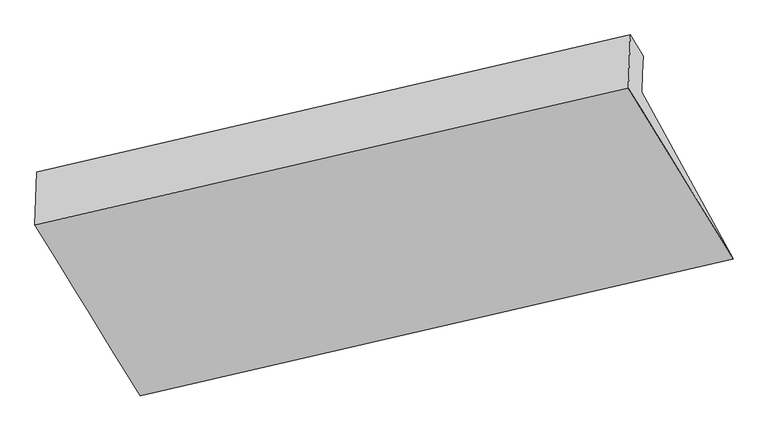
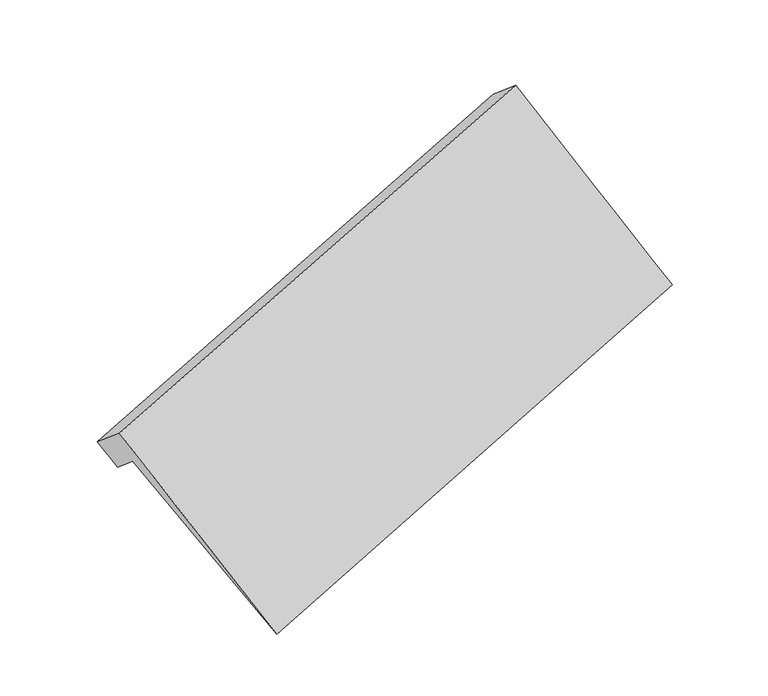
"""IFC4 building model written with IfcOpenShell, lengths in millimetres: proxy geometry."""

from ifc_helpers import new_model, si_unit, frame, origin, place, context, project, spatial, source, transform, mapped, element, save
from ifc_brep_helpers import plane_surface, spline_surface, advanced_brep


def generic_models_933ece02(model_context):
    return source(origin(), model_context, "Body", "AdvancedBrep", [
        advanced_brep(
        [(-5166.6078412, -1826.7731486, 1331.6414527), (-5161.6144103, -1691.375346, 1217.3861603), (-711.1056781, -653.2011507, 2629.0477038), (-716.1124011, -788.9593734, 2743.6071362), (-5171.601272, -1962.1709512, 1445.896745), (-721.1191242, -924.7175961, 2858.1665686), (-4485.2373127, -3208.012695, 179.1058416), (-35.0738035, -2176.6593854, 1596.8196929), (-5276.0012985, -1921.9325353, 1747.1123785), (-820.6331424, -896.5328767, 3152.6801151), (-5261.3267262, -1524.0287888, 1411.3417235), (-805.798152, -494.279363, 2813.2389137)],
        [
            (0, 1),
            (1, 2),
            (2, 3),
            (3, 0),
            (4, 0),
            (3, 5),
            (5, 4),
            (6, 4),
            (5, 7),
            (7, 6),
            (8, 6),
            (7, 9),
            (9, 8),
            (10, 8),
            (9, 11),
            (11, 10),
            (1, 10),
            (11, 2),
        ],
        [
            plane_surface(frame((-5164.1111257, -1759.0742473, 1274.5138065), z_axis=(0.3653963653085744, -0.6081547453787232, -0.7047221451697281), x_axis=(0.028174280145893894, 0.7639508246003959, -0.6446590940416771))),
            plane_surface(frame((-5169.1045566, -1894.4720499, 1388.7690988), z_axis=(0.3653963653085741, -0.608154745378726, -0.7047221451697258), x_axis=(0.028174280145894022, 0.7639508246003933, -0.6446590940416801))),
            spline_surface(1, 1, [[(-4485.2373127, -3208.012695, 179.1058416), (-35.0738035, -2176.6593854, 1596.8196929)], [(-5171.601272, -1962.1709512, 1445.896745), (-721.1191242, -924.7175961, 2858.1665686)]], [2, 2], [2, 2], [0.0, 1.0], [0.0, 1.0]),
            spline_surface(1, 1, [[(-5276.0012985, -1921.9325353, 1747.1123785), (-820.6331424, -896.5328767, 3152.6801151)], [(-4485.2373127, -3208.012695, 179.1058416), (-35.0738035, -2176.6593854, 1596.8196929)]], [2, 2], [2, 2], [0.0, 1.0], [0.0, 1.0]),
            plane_surface(frame((-5268.6640123, -1722.980662, 1579.227051), z_axis=(-0.3627027938227473, 0.6087762973441027, 0.7055764332410617), x_axis=(-0.028174280145893633, -0.7639508246003945, 0.6446590940416786))),
            plane_surface(frame((-5211.4705683, -1607.7020674, 1314.3639419), z_axis=(0.026526027546439013, 0.763571033256602, -0.6451787713758494), x_axis=(-0.3627313386069762, 0.6087697408997427, 0.7055674160257482))),
            plane_surface(frame((-618.74598, -1029.0780744, 2609.9905988), z_axis=(0.931467758932468, 0.21395920208590727, 0.2942605544616672), x_axis=(0.3632596663684022, -0.5919582461193803, -0.7194635846526108))),
            plane_surface(frame((-5071.1562039, -2061.5040633, 1200.1685698), z_axis=(-0.9314677589324702, -0.21395920208594982, -0.294260554461629), x_axis=(-0.0281742801458952, -0.7639508246003934, 0.64465909404168))),
        ],
        [
            (0, [[1, 2, 3, 4]]),
            (1, [[5, -4, 6, 7]]),
            (2, [[8, -7, 9, 10]]),
            (3, [[11, -10, 12, 13]]),
            (4, [[14, -13, 15, 16]]),
            (5, [[17, -16, 18, -2]]),
            (6, [[-12, -9, -6, -3, -18, -15]]),
            (7, [[-1, -5, -8, -11, -14, -17]]),
        ],
    ),
    ])


if __name__ == "__main__":
    model = new_model("IFC4")
    model_context = context("Model", 3, world=origin())
    ifc_project = project(units=[si_unit("LENGTHUNIT", "METRE", prefix="MILLI")], contexts=[model_context])
    site = spatial("IfcSite", under=ifc_project)
    building = spatial("IfcBuilding", under=site)
    placement = place(None, origin())
    generic_models_shape = generic_models_933ece02(model_context)
    element("IfcBuildingElementProxy", 1, Name="Generic Models", at=placement, inside=building, context=model_context, shape_type="MappedRepresentation", body=[
        mapped(generic_models_shape, transform((0.0, 0.0, 0.0), x_axis=(1.0, 0.0, 0.0), y_axis=(0.0, 1.0, 0.0), z_axis=(0.0, 0.0, 1.0))),
    ])
    save(model, "model.ifc")
